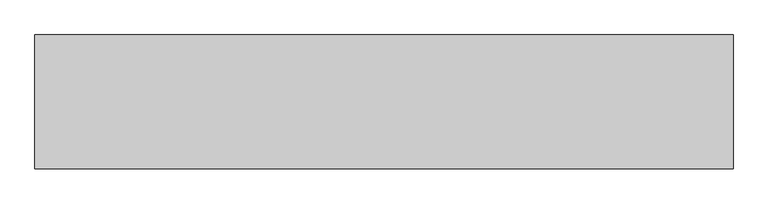
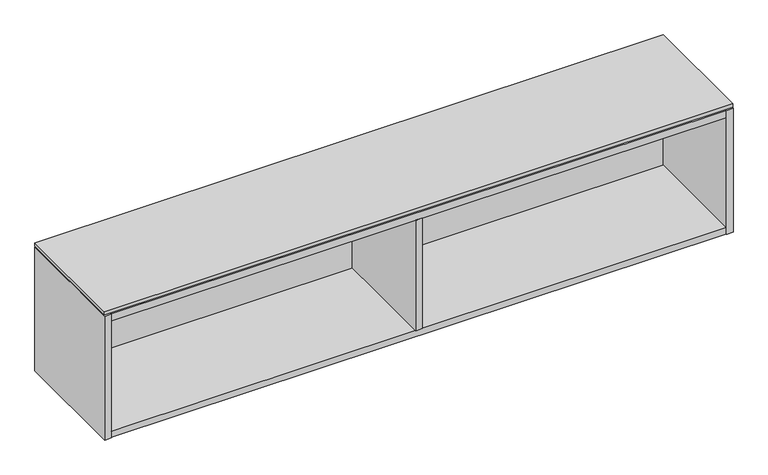
"""IFC4 building model written with IfcOpenShell, lengths in millimetres: furniture geometry."""

from ifc_helpers import new_model, si_unit, frame, origin, place, context, project, spatial, polyline, outline, extrude, faceted_brep, source, transform, mapped, element, save


def furniture_a0a88af5(model_context):
    return source(origin(), model_context, "Body", "SolidModel", [
        extrude(outline(polyline([(1368.6234375, -191.0115724), (-457.2, -191.0115724), (-457.2, 158.8226276), (1368.6234375, 158.8226276), (1368.6234375, -191.0115724)])), frame((0.0, 0.0, 1706.9308), z_axis=(0.0, 0.0, 1.0), x_axis=(1.0, 0.0, 0.0)), (0.0, 0.0, 1.0), 9.779),
        extrude(outline(polyline([(-437.896, 145.5282676), (-437.896, 158.8226276), (1349.3194375, 158.8226276), (1349.3194375, 145.5282676), (-437.896, 145.5282676)])), frame((0.0, 0.0, 1605.74355), z_axis=(0.0, 0.0, 1.0), x_axis=(1.0, 0.0, 0.0)), (0.0, 0.0, 1.0), 76.2),
        extrude(outline(polyline([(465.3637187, -191.7735724), (446.0597187, -191.7735724), (446.0597187, 126.2242676), (465.3637187, 126.2242676), (465.3637187, -191.7735724)])), frame((0.0, 0.0, 1342.6948), z_axis=(0.0, 0.0, 1.0), x_axis=(1.0, 0.0, 0.0)), (0.0, 0.0, 1.0), 339.24875),
        faceted_brep([(1349.3194375, -191.0115724, 1342.6948), (-437.896, -191.0115724, 1342.6948), (-437.896, -191.0115724, 1323.3908), (1349.3194375, -191.0115724, 1323.3908), (-437.896, 145.5282676, 1681.94355), (1349.3194375, 145.5282676, 1681.94355), (1349.3194375, 145.5282676, 1322.6288), (-437.896, 145.5282676, 1322.6288), (1349.3194375, 126.2242676, 1342.6948), (-437.896, 126.2242676, 1342.6948), (-437.896, 126.2242676, 1323.3908), (1349.3194375, 126.2242676, 1323.3908), (-437.896, 158.8226276, 1703.6288), (-457.2, 158.8226276, 1703.6288), (-457.2, -191.7735724, 1703.6288), (-437.896, -191.7735724, 1703.6288), (1349.3194375, -191.7735724, 1703.6288), (1368.6234375, -191.7735724, 1703.6288), (1368.6234375, 158.8226276, 1703.6288), (1349.3194375, 158.8226276, 1703.6288), (-437.896, -191.7735724, 1322.6288), (-457.2, -191.7735724, 1322.6288), (-457.2, 158.8226276, 1322.6288), (-437.896, 158.8226276, 1322.6288), (1349.3194375, 158.8226276, 1322.6288), (1368.6234375, 158.8226276, 1322.6288), (1368.6234375, -191.7735724, 1322.6288), (1349.3194375, -191.7735724, 1322.6288), (1349.3194375, 126.2242676, 1322.6288), (-437.896, 126.2242676, 1322.6288), (-437.896, 158.8226276, 1702.8668), (1349.3194375, 158.8226276, 1702.8668), (1349.3194375, 158.8226276, 1681.94355), (-437.896, 158.8226276, 1681.94355), (-437.896, 126.2242676, 1681.94355), (-437.896, -191.0115724, 1681.94355), (-437.896, -191.0115724, 1702.8668), (1349.3194375, -191.0115724, 1702.8668), (1349.3194375, -191.0115724, 1681.94355), (1349.3194375, 126.2242676, 1681.94355)], [[[0, 1, 2, 3]], [[4, 5, 6, 7]], [[1, 0, 8, 9]], [[3, 2, 10, 11]], [[12, 13, 14, 15]], [[16, 17, 18, 19]], [[20, 21, 22, 23, 7, 6, 24, 25, 26, 27, 28, 29]], [[13, 12, 30, 31, 19, 18, 25, 24, 32, 33, 23, 22]], [[14, 13, 22, 21]], [[15, 14, 21, 20]], [[4, 7, 23, 33]], [[12, 15, 20, 29, 10, 2, 1, 9, 34, 35, 36, 30]], [[6, 5, 32, 24]], [[16, 19, 31, 37, 38, 39, 8, 0, 3, 11, 28, 27]], [[17, 16, 27, 26]], [[18, 17, 26, 25]], [[37, 36, 35, 38]], [[36, 37, 31, 30]], [[33, 32, 5, 4]], [[38, 35, 34, 39]], [[9, 8, 39, 34]], [[29, 28, 11, 10]]]),
    ])


if __name__ == "__main__":
    model = new_model("IFC4")
    model_context = context("Model", 3, world=origin())
    ifc_project = project(units=[si_unit("LENGTHUNIT", "METRE", prefix="MILLI")], contexts=[model_context])
    site = spatial("IfcSite", under=ifc_project)
    building = spatial("IfcBuilding", under=site)
    placement = place(None, origin())
    furniture_shape = furniture_a0a88af5(model_context)
    element("IfcFurniture", 1, at=placement, inside=building, context=model_context, shape_type="MappedRepresentation", body=[
        mapped(furniture_shape, transform((0.0, 0.0, 0.0), x_axis=(1.0, 0.0, 0.0), y_axis=(0.0, 1.0, 0.0), z_axis=(0.0, 0.0, 1.0))),
    ])
    save(model, "model.ifc")
